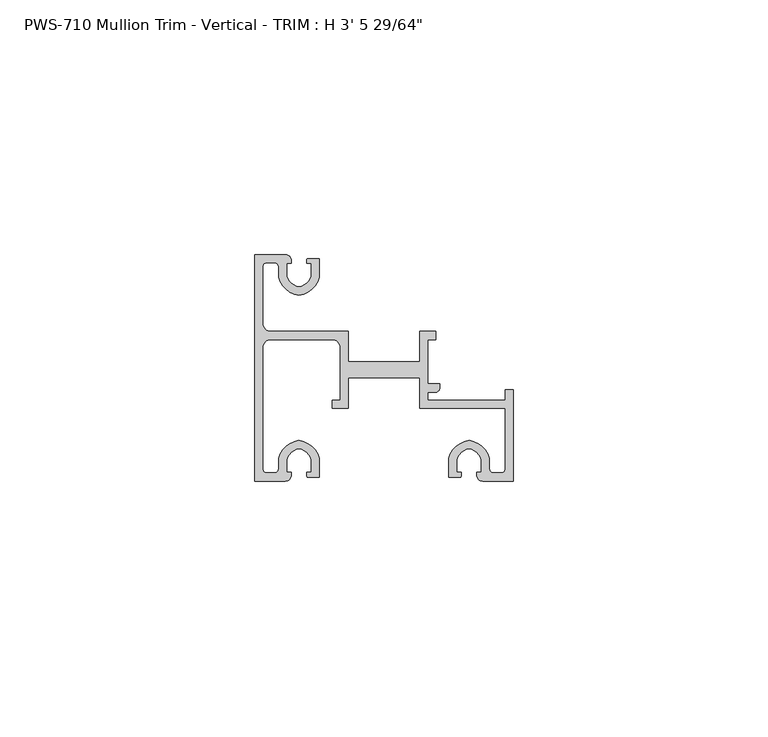
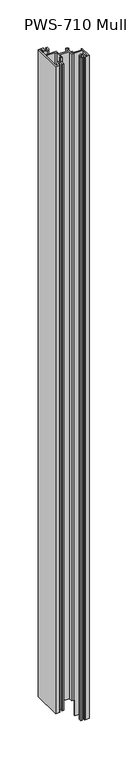
"""IFC4 building model written with IfcOpenShell, lengths in millimetres: proxy geometry."""

from ifc_helpers import new_model, si_unit, frame, origin, place, context, project, spatial, polyline, circle_curve, source, transform, mapped, element, save
from ifc_brep_helpers import plane_surface, cylinder_surface, revolved_surface, advanced_brep


def proxy_907548b9(model_context):
    return source(origin(), model_context, "Body", "AdvancedBrep", [
        advanced_brep(
        [(1.5875, 30.95625, 1052.909375), (1.5875, 42.06748, 1052.909375), (2.38252, 42.8625, 1052.909375), (3.90398, 42.8625, 1052.909375), (4.699, 42.06748, 1052.909375), (4.699, 40.0142401, 1052.909375), (8.6995, 36.4914739, 1052.909375), (12.7, 40.0142401, 1052.909375), (12.7, 43.688, 1052.909375), (10.3627194, 43.688, 1052.909375), (10.2659469, 42.7502912, 1052.909375), (11.1125, 42.7502912, 1052.909375), (11.1125, 40.242076, 1052.909375), (8.6995, 38.1, 1052.909375), (6.2865, 40.242076, 1052.909375), (6.2865, 42.7502912, 1052.909375), (7.1755, 42.7502912, 1052.909375), (7.1755, 43.5416341, 1052.909375), (6.0569064, 44.45, 1052.909375), (0.0, 44.45, 1052.909375), (0.0, 0.0, 1052.909375), (6.0569064, 0.0, 1052.909375), (7.1755, 0.9083659, 1052.909375), (7.1755, 1.6997088, 1052.909375), (6.2865, 1.6997088, 1052.909375), (6.2865, 4.207924, 1052.909375), (8.6995, 6.35, 1052.909375), (11.1125, 4.207924, 1052.909375), (11.1125, 1.6997088, 1052.909375), (10.2659469, 1.6997088, 1052.909375), (10.3627194, 0.762, 1052.909375), (12.7, 0.762, 1052.909375), (12.7, 4.4357599, 1052.909375), (8.6995, 7.9585261, 1052.909375), (4.699, 4.4357599, 1052.909375), (4.699, 2.38252, 1052.909375), (3.90398, 1.5875, 1052.909375), (2.38252, 1.5875, 1052.909375), (1.5875, 2.38252, 1052.909375), (1.5875, 26.19375, 1052.909375), (3.175, 27.78125, 1052.909375), (15.24, 27.78125, 1052.909375), (16.8275, 26.19375, 1052.909375), (16.8275, 15.8792752, 1052.909375), (15.24, 15.8792752, 1052.909375), (15.24, 14.2917752, 1052.909375), (18.415, 14.2917752, 1052.909375), (18.415, 20.2427626, 1052.909375), (32.385, 20.2427626, 1052.909375), (32.385, 14.2917752, 1052.909375), (35.56, 14.2917752, 1052.909375), (49.2125, 14.2917752, 1052.909375), (49.2125, 2.38252, 1052.909375), (48.41748, 1.5875, 1052.909375), (46.89602, 1.5875, 1052.909375), (46.101, 2.38252, 1052.909375), (46.101, 4.4357599, 1052.909375), (42.1005, 7.9585261, 1052.909375), (38.1, 4.4357599, 1052.909375), (38.1, 0.762, 1052.909375), (40.4372806, 0.762, 1052.909375), (40.5340531, 1.6997088, 1052.909375), (39.6875, 1.6997088, 1052.909375), (39.6875, 4.207924, 1052.909375), (42.1005, 6.35, 1052.909375), (44.5135, 4.207924, 1052.909375), (44.5135, 1.6997088, 1052.909375), (43.6245, 1.6997088, 1052.909375), (43.6245, 0.9083659, 1052.909375), (44.7430936, 0.0, 1052.909375), (50.8, 0.0, 1052.909375), (50.8, 17.907, 1052.909375), (49.2125, 17.907, 1052.909375), (49.2125, 15.875, 1052.909375), (34.76625, 15.875, 1052.909375), (33.9725, 15.875, 1052.909375), (33.9725, 17.4625, 1052.909375), (35.56, 17.4625, 1052.909375), (36.35502, 18.25752, 1052.909375), (36.35502, 19.05, 1052.909375), (33.9725, 19.05, 1052.909375), (33.9725, 27.78125, 1052.909375), (35.56, 27.78125, 1052.909375), (35.56, 29.36875, 1052.909375), (32.385, 29.36875, 1052.909375), (32.385, 23.4177626, 1052.909375), (18.415, 23.4177626, 1052.909375), (18.415, 29.36875, 1052.909375), (3.175, 29.36875, 1052.909375), (49.2125, 15.875, 0.0), (49.2125, 17.907, 0.0), (50.8, 17.907, 0.0), (50.8, 0.0, 0.0), (44.7430936, 0.0, 0.0), (43.6245, 0.9083659, 0.0), (43.6245, 1.6997088, 0.0), (44.5135, 1.6997088, 0.0), (44.5135, 4.207924, 0.0), (42.1005, 6.35, 0.0), (39.6875, 4.207924, 0.0), (39.6875, 1.6997088, 0.0), (40.5340531, 1.6997088, 0.0), (40.4372806, 0.762, 0.0), (38.1, 0.762, 0.0), (38.1, 4.4357599, 0.0), (42.1005, 7.9585261, 0.0), (46.101, 4.4357599, 0.0), (46.101, 2.38252, 0.0), (46.89602, 1.5875, 0.0), (48.41748, 1.5875, 0.0), (49.2125, 2.38252, 0.0), (49.2125, 14.2917752, 0.0), (37.1376502, 14.2917752, 0.0), (37.1376502, 15.875, 0.0), (1.5875, 30.95625, 25.4), (1.5875, 42.06748, 25.4), (2.38252, 42.8625, 25.4), (3.90398, 42.8625, 25.4), (4.699, 42.06748, 25.4), (4.699, 40.0142401, 25.4), (8.6995, 36.4914739, 25.4), (12.7, 40.0142401, 25.4), (12.7, 43.688, 25.4), (10.3627194, 43.688, 25.4), (10.2659469, 42.7502912, 25.4), (11.1125, 42.7502912, 25.4), (11.1125, 40.242076, 25.4), (8.6995, 38.1, 25.4), (6.2865, 40.242076, 25.4), (6.2865, 42.7502912, 25.4), (7.1755, 42.7502912, 25.4), (7.1755, 43.5416341, 25.4), (6.0569064, 44.45, 25.4), (0.0, 44.45, 25.4), (0.0, 0.0, 25.4), (6.0569064, 0.0, 25.4), (7.1755, 0.9083659, 25.4), (7.1755, 1.6997088, 25.4), (6.2865, 1.6997088, 25.4), (6.2865, 4.207924, 25.4), (8.6995, 6.35, 25.4), (11.1125, 4.207924, 25.4), (11.1125, 1.6997088, 25.4), (10.2659469, 1.6997088, 25.4), (10.3627194, 0.762, 25.4), (12.7, 0.762, 25.4), (12.7, 4.4357599, 25.4), (8.6995, 7.9585261, 25.4), (4.699, 4.4357599, 25.4), (4.699, 2.38252, 25.4), (3.90398, 1.5875, 25.4), (2.38252, 1.5875, 25.4), (1.5875, 2.38252, 25.4), (1.5875, 26.19375, 25.4), (3.175, 27.78125, 25.4), (15.24, 27.78125, 25.4), (16.8275, 26.19375, 25.4), (16.8275, 15.8792752, 25.4), (15.24, 15.8792752, 25.4), (15.24, 14.2917752, 25.4), (18.415, 14.2917752, 25.4), (18.415, 20.2427626, 25.4), (32.385, 20.2427626, 25.4), (32.385, 14.2917752, 25.4), (35.56, 14.2917752, 25.4), (37.1376502, 14.2917752, 25.4), (37.1376502, 15.875, 25.4), (34.76625, 15.875, 25.4), (33.9725, 15.875, 25.4), (33.9725, 17.4625, 25.4), (35.56, 17.4625, 25.4), (36.35502, 18.25752, 25.4), (36.35502, 19.05, 25.4), (33.9725, 19.05, 25.4), (33.9725, 27.78125, 25.4), (35.56, 27.78125, 25.4), (35.56, 29.36875, 25.4), (32.385, 29.36875, 25.4), (32.385, 23.4177626, 25.4), (18.415, 23.4177626, 25.4), (18.415, 29.36875, 25.4), (3.175, 29.36875, 25.4)],
        [
            (0, 1),
            (1, 2, circle_curve(frame((2.38252, 42.06748, 1052.909375), z_axis=(0.0, 0.0, -1.0), x_axis=(-1.0, 1.8160836696718075e-12, 0.0)), 0.79502)),
            (2, 3),
            (3, 4, circle_curve(frame((3.90398, 42.06748, 1052.909375), z_axis=(0.0, 0.0, -1.0), x_axis=(-1.8302718233411445e-12, 1.0, 0.0)), 0.79502)),
            (4, 5),
            (5, 6, circle_curve(frame((9.3305673, 41.2410159, 1052.909375), z_axis=(0.0, 0.0, 1.0), x_axis=(0.0, -1.0, 0.0)), 4.7912832)),
            (6, 7, circle_curve(frame((8.0684327, 41.2410159, 1052.909375), z_axis=(0.0, 0.0, 1.0), x_axis=(0.0, -1.0, 0.0)), 4.7912832)),
            (7, 8),
            (8, 9),
            (9, 10, circle_curve(frame((11.3244879, 43.1148966, 1052.909375), z_axis=(0.0, 0.0, 1.0), x_axis=(0.0, -1.0, 0.0)), 1.1195742)),
            (10, 11),
            (11, 12),
            (12, 13, circle_curve(frame((8.0684327, 41.2410159, 1052.909375), z_axis=(0.0, 0.0, -1.0), x_axis=(0.0, -1.0, 0.0)), 3.2037832)),
            (13, 14, circle_curve(frame((9.3305673, 41.2410159, 1052.909375), z_axis=(0.0, 0.0, -1.0), x_axis=(0.0, -1.0, 0.0)), 3.2037832)),
            (14, 15),
            (15, 16),
            (16, 17),
            (17, 18, circle_curve(frame((6.0569064, 43.3070794, 1052.909375), z_axis=(0.0, 0.0, 1.0), x_axis=(0.0, -1.0, 0.0)), 1.1429206)),
            (18, 19),
            (19, 20),
            (20, 21),
            (21, 22, circle_curve(frame((6.0569064, 1.1429206, 1052.909375), z_axis=(0.0, 0.0, 1.0), x_axis=(0.0, 1.0, 0.0)), 1.1429206)),
            (22, 23),
            (23, 24),
            (24, 25),
            (25, 26, circle_curve(frame((9.3305673, 3.2089841, 1052.909375), z_axis=(0.0, 0.0, -1.0), x_axis=(0.0, 1.0, 0.0)), 3.2037832)),
            (26, 27, circle_curve(frame((8.0684327, 3.2089841, 1052.909375), z_axis=(0.0, 0.0, -1.0), x_axis=(0.0, 1.0, 0.0)), 3.2037832)),
            (27, 28),
            (28, 29),
            (29, 30, circle_curve(frame((11.3244879, 1.3351034, 1052.909375), z_axis=(0.0, 0.0, 1.0), x_axis=(0.0, 1.0, 0.0)), 1.1195742)),
            (30, 31),
            (31, 32),
            (32, 33, circle_curve(frame((8.0684327, 3.2089841, 1052.909375), z_axis=(0.0, 0.0, 1.0), x_axis=(0.0, 1.0, 0.0)), 4.7912832)),
            (33, 34, circle_curve(frame((9.3305673, 3.2089841, 1052.909375), z_axis=(0.0, 0.0, 1.0), x_axis=(0.0, 1.0, 0.0)), 4.7912832)),
            (34, 35),
            (35, 36, circle_curve(frame((3.90398, 2.38252, 1052.909375), z_axis=(0.0, 0.0, -1.0), x_axis=(1.0, -1.8160836696718075e-12, 0.0)), 0.79502)),
            (36, 37),
            (37, 38, circle_curve(frame((2.38252, 2.38252, 1052.909375), z_axis=(0.0, 0.0, -1.0), x_axis=(1.8160836696718075e-12, -1.0, 0.0)), 0.79502)),
            (38, 39),
            (39, 40, circle_curve(frame((3.175, 26.19375, 1052.909375), z_axis=(0.0, 0.0, -1.0), x_axis=(-1.0, 0.0, 0.0)), 1.5875)),
            (40, 41),
            (41, 42, circle_curve(frame((15.24, 26.19375, 1052.909375), z_axis=(0.0, 0.0, -1.0), x_axis=(0.0, 1.0, 0.0)), 1.5875)),
            (42, 43),
            (43, 44),
            (44, 45),
            (45, 46),
            (46, 47),
            (47, 48),
            (48, 49),
            (49, 50),
            (50, 51),
            (51, 52),
            (52, 53, circle_curve(frame((48.41748, 2.38252, 1052.909375), z_axis=(0.0, 0.0, -1.0), x_axis=(1.0, -1.8160836696718075e-12, 0.0)), 0.79502)),
            (53, 54),
            (54, 55, circle_curve(frame((46.89602, 2.38252, 1052.909375), z_axis=(0.0, 0.0, -1.0), x_axis=(1.8160836696718075e-12, -1.0, 0.0)), 0.79502)),
            (55, 56),
            (56, 57, circle_curve(frame((41.4694327, 3.2089841, 1052.909375), z_axis=(0.0, 0.0, 1.0), x_axis=(0.0, 1.0, 0.0)), 4.7912832)),
            (57, 58, circle_curve(frame((42.7315673, 3.2089841, 1052.909375), z_axis=(0.0, 0.0, 1.0), x_axis=(0.0, 1.0, 0.0)), 4.7912832)),
            (58, 59),
            (59, 60),
            (60, 61, circle_curve(frame((39.4755121, 1.3351034, 1052.909375), z_axis=(0.0, 0.0, 1.0), x_axis=(0.0, 1.0, 0.0)), 1.1195742)),
            (61, 62),
            (62, 63),
            (63, 64, circle_curve(frame((42.7315673, 3.2089841, 1052.909375), z_axis=(0.0, 0.0, -1.0), x_axis=(0.0, 1.0, 0.0)), 3.2037832)),
            (64, 65, circle_curve(frame((41.4694327, 3.2089841, 1052.909375), z_axis=(0.0, 0.0, -1.0), x_axis=(0.0, 1.0, 0.0)), 3.2037832)),
            (65, 66),
            (66, 67),
            (67, 68),
            (68, 69, circle_curve(frame((44.7430936, 1.1429206, 1052.909375), z_axis=(0.0, 0.0, 1.0), x_axis=(0.0, 1.0, 0.0)), 1.1429206)),
            (69, 70),
            (70, 71),
            (71, 72),
            (72, 73),
            (73, 74),
            (74, 75),
            (75, 76),
            (76, 77),
            (77, 78, circle_curve(frame((35.56, 18.25752, 1052.909375), z_axis=(0.0, 0.0, 1.0), x_axis=(-1.8160836696718075e-12, -1.0, 0.0)), 0.79502)),
            (78, 79),
            (79, 80),
            (80, 81),
            (81, 82),
            (82, 83),
            (83, 84),
            (84, 85),
            (85, 86),
            (86, 87),
            (87, 88),
            (88, 0, circle_curve(frame((3.175, 30.95625, 1052.909375), z_axis=(0.0, 0.0, -1.0), x_axis=(0.0, -1.0, 0.0)), 1.5875)),
            (89, 90),
            (90, 91),
            (91, 92),
            (92, 93),
            (93, 94, circle_curve(frame((44.7430936, 1.1429206, 0.0), z_axis=(0.0, 0.0, -1.0), x_axis=(0.0, 1.0, 0.0)), 1.1429206)),
            (94, 95),
            (95, 96),
            (96, 97),
            (97, 98, circle_curve(frame((41.4694327, 3.2089841, 0.0), z_axis=(0.0, 0.0, 1.0), x_axis=(0.0, 1.0, 0.0)), 3.2037832)),
            (98, 99, circle_curve(frame((42.7315673, 3.2089841, 0.0), z_axis=(0.0, 0.0, 1.0), x_axis=(0.0, 1.0, 0.0)), 3.2037832)),
            (99, 100),
            (100, 101),
            (101, 102, circle_curve(frame((39.4755121, 1.3351034, 0.0), z_axis=(0.0, 0.0, -1.0), x_axis=(0.0, 1.0, 0.0)), 1.1195742)),
            (102, 103),
            (103, 104),
            (104, 105, circle_curve(frame((42.7315673, 3.2089841, 0.0), z_axis=(0.0, 0.0, -1.0), x_axis=(0.0, 1.0, 0.0)), 4.7912832)),
            (105, 106, circle_curve(frame((41.4694327, 3.2089841, 0.0), z_axis=(0.0, 0.0, -1.0), x_axis=(0.0, 1.0, 0.0)), 4.7912832)),
            (106, 107),
            (107, 108, circle_curve(frame((46.89602, 2.38252, 0.0), z_axis=(0.0, 0.0, 1.0), x_axis=(1.8160836696718075e-12, -1.0, 0.0)), 0.79502)),
            (108, 109),
            (109, 110, circle_curve(frame((48.41748, 2.38252, 0.0), z_axis=(0.0, 0.0, 1.0), x_axis=(1.0, -1.8160836696718075e-12, 0.0)), 0.79502)),
            (110, 111),
            (111, 112),
            (112, 113),
            (113, 89),
            (0, 114),
            (114, 115),
            (115, 1),
            (115, 116, circle_curve(frame((2.38252, 42.06748, 25.4), z_axis=(0.0, 0.0, -1.0), x_axis=(-1.0, 1.8160836696718075e-12, 0.0)), 0.79502)),
            (116, 2),
            (116, 117),
            (117, 3),
            (117, 118, circle_curve(frame((3.90398, 42.06748, 25.4), z_axis=(0.0, 0.0, -1.0), x_axis=(-1.8302718233411445e-12, 1.0, 0.0)), 0.79502)),
            (118, 4),
            (118, 119),
            (119, 5),
            (119, 120, circle_curve(frame((9.3305673, 41.2410159, 25.4), z_axis=(0.0, 0.0, 1.0), x_axis=(0.0, -1.0, 0.0)), 4.7912832)),
            (120, 6),
            (120, 121, circle_curve(frame((8.0684327, 41.2410159, 25.4), z_axis=(0.0, 0.0, 1.0), x_axis=(0.0, -1.0, 0.0)), 4.7912832)),
            (121, 7),
            (121, 122),
            (122, 8),
            (122, 123),
            (123, 9),
            (123, 124, circle_curve(frame((11.3244879, 43.1148966, 25.4), z_axis=(0.0, 0.0, 1.0), x_axis=(0.0, -1.0, 0.0)), 1.1195742)),
            (124, 10),
            (124, 125),
            (125, 11),
            (125, 126),
            (126, 12),
            (126, 127, circle_curve(frame((8.0684327, 41.2410159, 25.4), z_axis=(0.0, 0.0, -1.0), x_axis=(0.0, -1.0, 0.0)), 3.2037832)),
            (127, 13),
            (127, 128, circle_curve(frame((9.3305673, 41.2410159, 25.4), z_axis=(0.0, 0.0, -1.0), x_axis=(0.0, -1.0, 0.0)), 3.2037832)),
            (128, 14),
            (128, 129),
            (129, 15),
            (129, 130),
            (130, 16),
            (130, 131),
            (131, 17),
            (131, 132, circle_curve(frame((6.0569064, 43.3070794, 25.4), z_axis=(0.0, 0.0, 1.0), x_axis=(0.0, -1.0, 0.0)), 1.1429206)),
            (132, 18),
            (132, 133),
            (133, 19),
            (133, 134),
            (134, 20),
            (134, 135),
            (135, 21),
            (135, 136, circle_curve(frame((6.0569064, 1.1429206, 25.4), z_axis=(0.0, 0.0, 1.0), x_axis=(0.0, 1.0, 0.0)), 1.1429206)),
            (136, 22),
            (136, 137),
            (137, 23),
            (137, 138),
            (138, 24),
            (138, 139),
            (139, 25),
            (139, 140, circle_curve(frame((9.3305673, 3.2089841, 25.4), z_axis=(0.0, 0.0, -1.0), x_axis=(0.0, 1.0, 0.0)), 3.2037832)),
            (140, 26),
            (140, 141, circle_curve(frame((8.0684327, 3.2089841, 25.4), z_axis=(0.0, 0.0, -1.0), x_axis=(0.0, 1.0, 0.0)), 3.2037832)),
            (141, 27),
            (141, 142),
            (142, 28),
            (142, 143),
            (143, 29),
            (143, 144, circle_curve(frame((11.3244879, 1.3351034, 25.4), z_axis=(0.0, 0.0, 1.0), x_axis=(0.0, 1.0, 0.0)), 1.1195742)),
            (144, 30),
            (144, 145),
            (145, 31),
            (145, 146),
            (146, 32),
            (146, 147, circle_curve(frame((8.0684327, 3.2089841, 25.4), z_axis=(0.0, 0.0, 1.0), x_axis=(0.0, 1.0, 0.0)), 4.7912832)),
            (147, 33),
            (147, 148, circle_curve(frame((9.3305673, 3.2089841, 25.4), z_axis=(0.0, 0.0, 1.0), x_axis=(0.0, 1.0, 0.0)), 4.7912832)),
            (148, 34),
            (148, 149),
            (149, 35),
            (149, 150, circle_curve(frame((3.90398, 2.38252, 25.4), z_axis=(0.0, 0.0, -1.0), x_axis=(1.0, -1.8160836696718075e-12, 0.0)), 0.79502)),
            (150, 36),
            (150, 151),
            (151, 37),
            (151, 152, circle_curve(frame((2.38252, 2.38252, 25.4), z_axis=(0.0, 0.0, -1.0), x_axis=(1.8160836696718075e-12, -1.0, 0.0)), 0.79502)),
            (152, 38),
            (152, 153),
            (153, 39),
            (153, 154, circle_curve(frame((3.175, 26.19375, 25.4), z_axis=(0.0, 0.0, -1.0), x_axis=(-1.0, 0.0, 0.0)), 1.5875)),
            (154, 40),
            (154, 155),
            (155, 41),
            (155, 156, circle_curve(frame((15.24, 26.19375, 25.4), z_axis=(0.0, 0.0, -1.0), x_axis=(0.0, 1.0, 0.0)), 1.5875)),
            (156, 42),
            (156, 157),
            (157, 43),
            (157, 158),
            (158, 44),
            (158, 159),
            (159, 45),
            (159, 160),
            (160, 46),
            (160, 161),
            (161, 47),
            (161, 162),
            (162, 48),
            (162, 163),
            (163, 49),
            (163, 164),
            (164, 50),
            (164, 165),
            (165, 112),
            (111, 51),
            (110, 52),
            (109, 53),
            (108, 54),
            (107, 55),
            (106, 56),
            (105, 57),
            (104, 58),
            (103, 59),
            (102, 60),
            (101, 61),
            (100, 62),
            (99, 63),
            (98, 64),
            (97, 65),
            (96, 66),
            (95, 67),
            (94, 68),
            (93, 69),
            (92, 70),
            (91, 71),
            (90, 72),
            (89, 73),
            (113, 166),
            (166, 167),
            (167, 74),
            (167, 168),
            (168, 75),
            (168, 169),
            (169, 76),
            (169, 170),
            (170, 77),
            (170, 171, circle_curve(frame((35.56, 18.25752, 25.4), z_axis=(0.0, 0.0, 1.0), x_axis=(-1.8160836696718075e-12, -1.0, 0.0)), 0.79502)),
            (171, 78),
            (171, 172),
            (172, 79),
            (172, 173),
            (173, 80),
            (173, 174),
            (174, 81),
            (174, 175),
            (175, 82),
            (175, 176),
            (176, 83),
            (176, 177),
            (177, 84),
            (177, 178),
            (178, 85),
            (178, 179),
            (179, 86),
            (179, 180),
            (180, 87),
            (180, 181),
            (181, 88),
            (181, 114, circle_curve(frame((3.175, 30.95625, 25.4), z_axis=(0.0, 0.0, -1.0), x_axis=(0.0, -1.0, 0.0)), 1.5875)),
            (165, 166),
        ],
        [
            plane_surface(frame((1.5875, 30.95625, 1052.909375), z_axis=(0.0, 0.0, 1.0), x_axis=(0.0, 1.0, 0.0))),
            plane_surface(frame((1.5875, 30.95625, 0.0), z_axis=(0.0, 0.0, -1.0), x_axis=(0.0, -1.0, 0.0))),
            plane_surface(frame((1.5875, 30.95625, 1052.909375), z_axis=(1.0, 0.0, 0.0), x_axis=(0.0, 0.0, -1.0))),
            revolved_surface(polyline([(1.5875, 42.067480000001446, 25.4), (1.5875, 42.067480000001446, 1052.909375)]), (2.38252, 42.06748, 0.0), (0.0, 0.0, -1.0)),
            plane_surface(frame((2.38252, 42.8625, 1052.909375), z_axis=(0.0, -1.0, 0.0), x_axis=(0.0, 0.0, -1.0))),
            revolved_surface(polyline([(3.9039799999985445, 42.862500000000004, 25.4), (3.9039799999985445, 42.862500000000004, 1052.909375)]), (3.90398, 42.06748, 0.0), (0.0, 0.0, -1.0)),
            plane_surface(frame((4.699, 42.06748, 1052.909375), z_axis=(-1.0, 0.0, 0.0), x_axis=(0.0, 0.0, -1.0))),
            cylinder_surface(frame((9.3305673, 41.2410159, 0.0), z_axis=(0.0, 0.0, 1.0), x_axis=(0.0, -1.0, 0.0)), 4.7912832),
            cylinder_surface(frame((8.0684327, 41.2410159, 0.0), z_axis=(0.0, 0.0, 1.0), x_axis=(0.0, -1.0, 0.0)), 4.7912832),
            plane_surface(frame((12.7, 40.0142401, 1052.909375), z_axis=(1.0, 0.0, 0.0), x_axis=(0.0, 0.0, -1.0))),
            plane_surface(frame((12.7, 43.688, 1052.909375), z_axis=(0.0, 1.0, 0.0), x_axis=(0.0, 0.0, -1.0))),
            cylinder_surface(frame((11.3244879, 43.1148966, 0.0), z_axis=(0.0, 0.0, 1.0), x_axis=(0.0, -1.0, 0.0)), 1.1195742),
            plane_surface(frame((10.2659469, 42.7502912, 1052.909375), z_axis=(0.0, -1.0, 0.0), x_axis=(0.0, 0.0, -1.0))),
            plane_surface(frame((11.1125, 42.7502912, 1052.909375), z_axis=(-1.0, 0.0, 0.0), x_axis=(0.0, 0.0, -1.0))),
            revolved_surface(polyline([(8.0684327, 38.037232700000004, 25.4), (8.0684327, 38.037232700000004, 1052.909375)]), (8.0684327, 41.2410159, 0.0), (0.0, 0.0, -1.0)),
            revolved_surface(polyline([(9.3305673, 38.037232700000004, 25.4), (9.3305673, 38.037232700000004, 1052.909375)]), (9.3305673, 41.2410159, 0.0), (0.0, 0.0, -1.0)),
            plane_surface(frame((6.2865, 40.242076, 1052.909375), z_axis=(1.0, 0.0, 0.0), x_axis=(0.0, 0.0, -1.0))),
            plane_surface(frame((6.2865, 42.7502912, 1052.909375), z_axis=(0.0, -1.0, 0.0), x_axis=(0.0, 0.0, -1.0))),
            plane_surface(frame((7.1755, 42.7502912, 1052.909375), z_axis=(1.0, 0.0, 0.0), x_axis=(0.0, 0.0, -1.0))),
            cylinder_surface(frame((6.0569064, 43.3070794, 0.0), z_axis=(0.0, 0.0, 1.0), x_axis=(0.0, -1.0, 0.0)), 1.1429206),
            plane_surface(frame((6.0569064, 44.45, 1052.909375), z_axis=(0.0, 1.0, 0.0), x_axis=(0.0, 0.0, -1.0))),
            plane_surface(frame((0.0, 44.45, 1052.909375), z_axis=(-1.0, 0.0, 0.0), x_axis=(0.0, 0.0, -1.0))),
            plane_surface(frame((0.0, 0.0, 1052.909375), z_axis=(0.0, -1.0, 0.0), x_axis=(0.0, 0.0, -1.0))),
            cylinder_surface(frame((6.0569064, 1.1429206, 0.0), z_axis=(0.0, 0.0, 1.0), x_axis=(0.0, 1.0, 0.0)), 1.1429206),
            plane_surface(frame((7.1755, 0.9083659, 1052.909375), z_axis=(1.0, 0.0, 0.0), x_axis=(0.0, 0.0, -1.0))),
            plane_surface(frame((7.1755, 1.6997088, 1052.909375), z_axis=(0.0, 1.0, 0.0), x_axis=(0.0, 0.0, -1.0))),
            plane_surface(frame((6.2865, 1.6997088, 1052.909375), z_axis=(1.0, 0.0, 0.0), x_axis=(0.0, 0.0, -1.0))),
            revolved_surface(polyline([(9.3305673, 6.4127673000000005, 25.4), (9.3305673, 6.4127673000000005, 1052.909375)]), (9.3305673, 3.2089841, 0.0), (0.0, 0.0, -1.0)),
            revolved_surface(polyline([(8.0684327, 6.4127673000000005, 25.4), (8.0684327, 6.4127673000000005, 1052.909375)]), (8.0684327, 3.2089841, 0.0), (0.0, 0.0, -1.0)),
            plane_surface(frame((11.1125, 4.207924, 1052.909375), z_axis=(-1.0, 0.0, 0.0), x_axis=(0.0, 0.0, -1.0))),
            plane_surface(frame((11.1125, 1.6997088, 1052.909375), z_axis=(0.0, 1.0, 0.0), x_axis=(0.0, 0.0, -1.0))),
            cylinder_surface(frame((11.3244879, 1.3351034, 0.0), z_axis=(0.0, 0.0, 1.0), x_axis=(0.0, 1.0, 0.0)), 1.1195742),
            plane_surface(frame((10.3627194, 0.762, 1052.909375), z_axis=(0.0, -1.0, 0.0), x_axis=(0.0, 0.0, -1.0))),
            plane_surface(frame((12.7, 0.762, 1052.909375), z_axis=(1.0, 0.0, 0.0), x_axis=(0.0, 0.0, -1.0))),
            cylinder_surface(frame((8.0684327, 3.2089841, 0.0), z_axis=(0.0, 0.0, 1.0), x_axis=(0.0, 1.0, 0.0)), 4.7912832),
            cylinder_surface(frame((9.3305673, 3.2089841, 0.0), z_axis=(0.0, 0.0, 1.0), x_axis=(0.0, 1.0, 0.0)), 4.7912832),
            plane_surface(frame((4.699, 4.4357599, 1052.909375), z_axis=(-1.0, 0.0, 0.0), x_axis=(0.0, 0.0, -1.0))),
            revolved_surface(polyline([(4.699, 2.3825199999985562, 25.4), (4.699, 2.3825199999985562, 1052.909375)]), (3.90398, 2.38252, 0.0), (0.0, 0.0, -1.0)),
            plane_surface(frame((3.90398, 1.5875, 1052.909375), z_axis=(0.0, 1.0, 0.0), x_axis=(0.0, 0.0, -1.0))),
            revolved_surface(polyline([(2.3825200000014437, 1.5875, 25.4), (2.3825200000014437, 1.5875, 1052.909375)]), (2.38252, 2.38252, 0.0), (0.0, 0.0, -1.0)),
            plane_surface(frame((1.5875, 2.38252, 1052.909375), z_axis=(1.0, 0.0, 0.0), x_axis=(0.0, 0.0, -1.0))),
            revolved_surface(polyline([(1.5875, 26.19375, 25.4), (1.5875, 26.19375, 1052.909375)]), (3.175, 26.19375, 0.0), (0.0, 0.0, -1.0)),
            plane_surface(frame((3.175, 27.78125, 1052.909375), z_axis=(0.0, -1.0, 0.0), x_axis=(0.0, 0.0, -1.0))),
            revolved_surface(polyline([(15.24, 27.78125, 25.4), (15.24, 27.78125, 1052.909375)]), (15.24, 26.19375, 0.0), (0.0, 0.0, -1.0)),
            plane_surface(frame((16.8275, 26.19375, 1052.909375), z_axis=(-1.0, 0.0, 0.0), x_axis=(0.0, 0.0, -1.0))),
            plane_surface(frame((16.8275, 15.8792752, 1052.909375), z_axis=(0.0, 1.0, 0.0), x_axis=(0.0, 0.0, -1.0))),
            plane_surface(frame((15.24, 15.8792752, 1052.909375), z_axis=(-1.0, 0.0, 0.0), x_axis=(0.0, 0.0, -1.0))),
            plane_surface(frame((15.24, 14.2917752, 1052.909375), z_axis=(0.0, -1.0, 0.0), x_axis=(0.0, 0.0, -1.0))),
            plane_surface(frame((18.415, 14.2917752, 1052.909375), z_axis=(1.0, 0.0, 0.0), x_axis=(0.0, 0.0, -1.0))),
            plane_surface(frame((18.415, 20.2427626, 1052.909375), z_axis=(0.0, -1.0, 0.0), x_axis=(0.0, 0.0, -1.0))),
            plane_surface(frame((32.385, 20.2427626, 1052.909375), z_axis=(-1.0, 0.0, 0.0), x_axis=(0.0, 0.0, -1.0))),
            plane_surface(frame((32.385, 14.2917752, 1052.909375), z_axis=(0.0, -1.0, 0.0), x_axis=(0.0, 0.0, -1.0))),
            plane_surface(frame((35.56, 14.2917752, 1052.909375), z_axis=(0.0, -1.0, 0.0), x_axis=(0.0, 0.0, -1.0))),
            plane_surface(frame((49.2125, 14.2917752, 1052.909375), z_axis=(-1.0, 0.0, 0.0), x_axis=(0.0, 0.0, -1.0))),
            revolved_surface(polyline([(49.2125, 2.3825199999985562, 0.0), (49.2125, 2.3825199999985562, 1052.909375)]), (48.41748, 2.38252, 0.0), (0.0, 0.0, -1.0)),
            plane_surface(frame((48.41748, 1.5875, 1052.909375), z_axis=(0.0, 1.0, 0.0), x_axis=(0.0, 0.0, -1.0))),
            revolved_surface(polyline([(46.89602000000144, 1.5875, 0.0), (46.89602000000144, 1.5875, 1052.909375)]), (46.89602, 2.38252, 0.0), (0.0, 0.0, -1.0)),
            plane_surface(frame((46.101, 2.38252, 1052.909375), z_axis=(1.0, 0.0, 0.0), x_axis=(0.0, 0.0, -1.0))),
            cylinder_surface(frame((41.4694327, 3.2089841, 0.0), z_axis=(0.0, 0.0, 1.0), x_axis=(0.0, 1.0, 0.0)), 4.7912832),
            cylinder_surface(frame((42.7315673, 3.2089841, 0.0), z_axis=(0.0, 0.0, 1.0), x_axis=(0.0, 1.0, 0.0)), 4.7912832),
            plane_surface(frame((38.1, 4.4357599, 1052.909375), z_axis=(-1.0, 0.0, 0.0), x_axis=(0.0, 0.0, -1.0))),
            plane_surface(frame((38.1, 0.762, 1052.909375), z_axis=(0.0, -1.0, 0.0), x_axis=(0.0, 0.0, -1.0))),
            cylinder_surface(frame((39.4755121, 1.3351034, 0.0), z_axis=(0.0, 0.0, 1.0), x_axis=(0.0, 1.0, 0.0)), 1.1195742),
            plane_surface(frame((40.5340531, 1.6997088, 1052.909375), z_axis=(0.0, 1.0, 0.0), x_axis=(0.0, 0.0, -1.0))),
            plane_surface(frame((39.6875, 1.6997088, 1052.909375), z_axis=(1.0, 0.0, 0.0), x_axis=(0.0, 0.0, -1.0))),
            revolved_surface(polyline([(42.7315673, 6.4127673000000005, 0.0), (42.7315673, 6.4127673000000005, 1052.909375)]), (42.7315673, 3.2089841, 0.0), (0.0, 0.0, -1.0)),
            revolved_surface(polyline([(41.4694327, 6.4127673000000005, 0.0), (41.4694327, 6.4127673000000005, 1052.909375)]), (41.4694327, 3.2089841, 0.0), (0.0, 0.0, -1.0)),
            plane_surface(frame((44.5135, 4.207924, 1052.909375), z_axis=(-1.0, 0.0, 0.0), x_axis=(0.0, 0.0, -1.0))),
            plane_surface(frame((44.5135, 1.6997088, 1052.909375), z_axis=(0.0, 1.0, 0.0), x_axis=(0.0, 0.0, -1.0))),
            plane_surface(frame((43.6245, 1.6997088, 1052.909375), z_axis=(-1.0, 0.0, 0.0), x_axis=(0.0, 0.0, -1.0))),
            cylinder_surface(frame((44.7430936, 1.1429206, 0.0), z_axis=(0.0, 0.0, 1.0), x_axis=(0.0, 1.0, 0.0)), 1.1429206),
            plane_surface(frame((44.7430936, 0.0, 1052.909375), z_axis=(0.0, -1.0, 0.0), x_axis=(0.0, 0.0, -1.0))),
            plane_surface(frame((50.8, 0.0, 1052.909375), z_axis=(1.0, 0.0, 0.0), x_axis=(0.0, 0.0, -1.0))),
            plane_surface(frame((50.8, 17.907, 1052.909375), z_axis=(0.0, 1.0, 0.0), x_axis=(0.0, 0.0, -1.0))),
            plane_surface(frame((49.2125, 17.907, 1052.909375), z_axis=(-1.0, 0.0, 0.0), x_axis=(0.0, 0.0, -1.0))),
            plane_surface(frame((49.2125, 15.875, 1052.909375), z_axis=(0.0, 1.0, 0.0), x_axis=(0.0, 0.0, -1.0))),
            plane_surface(frame((34.76625, 15.875, 1052.909375), z_axis=(0.0, 1.0, 0.0), x_axis=(0.0, 0.0, -1.0))),
            plane_surface(frame((33.9725, 15.875, 1052.909375), z_axis=(1.0, 0.0, 0.0), x_axis=(0.0, 0.0, -1.0))),
            plane_surface(frame((33.9725, 17.4625, 1052.909375), z_axis=(0.0, -1.0, 0.0), x_axis=(0.0, 0.0, -1.0))),
            cylinder_surface(frame((35.56, 18.25752, 0.0), z_axis=(0.0, 0.0, 1.0), x_axis=(-1.8160836696718075e-12, -1.0, 0.0)), 0.79502),
            plane_surface(frame((36.35502, 18.25752, 1052.909375), z_axis=(1.0, 0.0, 0.0), x_axis=(0.0, 0.0, -1.0))),
            plane_surface(frame((36.35502, 19.05, 1052.909375), z_axis=(0.0, 1.0, 0.0), x_axis=(0.0, 0.0, -1.0))),
            plane_surface(frame((33.9725, 19.05, 1052.909375), z_axis=(1.0, 0.0, 0.0), x_axis=(0.0, 0.0, -1.0))),
            plane_surface(frame((33.9725, 27.78125, 1052.909375), z_axis=(0.0, -1.0, 0.0), x_axis=(0.0, 0.0, -1.0))),
            plane_surface(frame((35.56, 27.78125, 1052.909375), z_axis=(1.0, 0.0, 0.0), x_axis=(0.0, 0.0, -1.0))),
            plane_surface(frame((35.56, 29.36875, 1052.909375), z_axis=(0.0, 1.0, 0.0), x_axis=(0.0, 0.0, -1.0))),
            plane_surface(frame((32.385, 29.36875, 1052.909375), z_axis=(-1.0, 0.0, 0.0), x_axis=(0.0, 0.0, -1.0))),
            plane_surface(frame((32.385, 23.4177626, 1052.909375), z_axis=(0.0, 1.0, 0.0), x_axis=(0.0, 0.0, -1.0))),
            plane_surface(frame((18.415, 23.4177626, 1052.909375), z_axis=(1.0, 0.0, 0.0), x_axis=(0.0, 0.0, -1.0))),
            plane_surface(frame((18.415, 29.36875, 1052.909375), z_axis=(0.0, 1.0, 0.0), x_axis=(0.0, 0.0, -1.0))),
            revolved_surface(polyline([(3.175, 29.368750000000002, 25.4), (3.175, 29.368750000000002, 1052.909375)]), (3.175, 30.95625, 0.0), (0.0, 0.0, -1.0)),
            plane_surface(frame((37.1376502, 0.0, 25.4), z_axis=(-1.0, 0.0, 0.0), x_axis=(0.0, -1.0, 0.0))),
            plane_surface(frame((37.1376502, 44.45, 25.4), z_axis=(0.0, 0.0, -1.0), x_axis=(-1.0, 0.0, 0.0))),
        ],
        [
            (0, [[1, 2, 3, 4, 5, 6, 7, 8, 9, 10, 11, 12, 13, 14, 15, 16, 17, 18, 19, 20, 21, 22, 23, 24, 25, 26, 27, 28, 29, 30, 31, 32, 33, 34, 35, 36, 37, 38, 39, 40, 41, 42, 43, 44, 45, 46, 47, 48, 49, 50, 51, 52, 53, 54, 55, 56, 57, 58, 59, 60, 61, 62, 63, 64, 65, 66, 67, 68, 69, 70, 71, 72, 73, 74, 75, 76, 77, 78, 79, 80, 81, 82, 83, 84, 85, 86, 87, 88, 89]]),
            (1, [[90, 91, 92, 93, 94, 95, 96, 97, 98, 99, 100, 101, 102, 103, 104, 105, 106, 107, 108, 109, 110, 111, 112, 113, 114]]),
            (2, [[-1, 115, 116, 117]]),
            (3, [[-2, -117, 118, 119]]),
            (4, [[-3, -119, 120, 121]]),
            (5, [[-4, -121, 122, 123]]),
            (6, [[-5, -123, 124, 125]]),
            (7, [[-6, -125, 126, 127]]),
            (8, [[-7, -127, 128, 129]]),
            (9, [[-8, -129, 130, 131]]),
            (10, [[-9, -131, 132, 133]]),
            (11, [[-10, -133, 134, 135]]),
            (12, [[-11, -135, 136, 137]]),
            (13, [[-12, -137, 138, 139]]),
            (14, [[-13, -139, 140, 141]]),
            (15, [[-14, -141, 142, 143]]),
            (16, [[-15, -143, 144, 145]]),
            (17, [[-16, -145, 146, 147]]),
            (18, [[-17, -147, 148, 149]]),
            (19, [[-18, -149, 150, 151]]),
            (20, [[-19, -151, 152, 153]]),
            (21, [[-20, -153, 154, 155]]),
            (22, [[-21, -155, 156, 157]]),
            (23, [[-22, -157, 158, 159]]),
            (24, [[-23, -159, 160, 161]]),
            (25, [[-24, -161, 162, 163]]),
            (26, [[-25, -163, 164, 165]]),
            (27, [[-26, -165, 166, 167]]),
            (28, [[-27, -167, 168, 169]]),
            (29, [[-28, -169, 170, 171]]),
            (30, [[-29, -171, 172, 173]]),
            (31, [[-30, -173, 174, 175]]),
            (32, [[-31, -175, 176, 177]]),
            (33, [[-32, -177, 178, 179]]),
            (34, [[-33, -179, 180, 181]]),
            (35, [[-34, -181, 182, 183]]),
            (36, [[-35, -183, 184, 185]]),
            (37, [[-36, -185, 186, 187]]),
            (38, [[-37, -187, 188, 189]]),
            (39, [[-38, -189, 190, 191]]),
            (40, [[-39, -191, 192, 193]]),
            (41, [[-40, -193, 194, 195]]),
            (42, [[-41, -195, 196, 197]]),
            (43, [[-42, -197, 198, 199]]),
            (44, [[-43, -199, 200, 201]]),
            (45, [[-44, -201, 202, 203]]),
            (46, [[-45, -203, 204, 205]]),
            (47, [[-46, -205, 206, 207]]),
            (48, [[-47, -207, 208, 209]]),
            (49, [[-48, -209, 210, 211]]),
            (50, [[-49, -211, 212, 213]]),
            (51, [[-50, -213, 214, 215]]),
            (52, [[-51, -215, 216, 217, -112, 218]]),
            (53, [[-52, -218, -111, 219]]),
            (54, [[-53, -219, -110, 220]]),
            (55, [[-54, -220, -109, 221]]),
            (56, [[-55, -221, -108, 222]]),
            (57, [[-56, -222, -107, 223]]),
            (58, [[-57, -223, -106, 224]]),
            (59, [[-58, -224, -105, 225]]),
            (60, [[-59, -225, -104, 226]]),
            (61, [[-60, -226, -103, 227]]),
            (62, [[-61, -227, -102, 228]]),
            (63, [[-62, -228, -101, 229]]),
            (64, [[-63, -229, -100, 230]]),
            (65, [[-64, -230, -99, 231]]),
            (66, [[-65, -231, -98, 232]]),
            (67, [[-66, -232, -97, 233]]),
            (68, [[-67, -233, -96, 234]]),
            (69, [[-68, -234, -95, 235]]),
            (70, [[-69, -235, -94, 236]]),
            (71, [[-70, -236, -93, 237]]),
            (72, [[-71, -237, -92, 238]]),
            (73, [[-72, -238, -91, 239]]),
            (74, [[-73, -239, -90, 240]]),
            (75, [[-74, -240, -114, 241, 242, 243]]),
            (76, [[-75, -243, 244, 245]]),
            (77, [[-76, -245, 246, 247]]),
            (78, [[-77, -247, 248, 249]]),
            (79, [[-78, -249, 250, 251]]),
            (80, [[-79, -251, 252, 253]]),
            (81, [[-80, -253, 254, 255]]),
            (82, [[-81, -255, 256, 257]]),
            (83, [[-82, -257, 258, 259]]),
            (84, [[-83, -259, 260, 261]]),
            (85, [[-84, -261, 262, 263]]),
            (86, [[-85, -263, 264, 265]]),
            (87, [[-86, -265, 266, 267]]),
            (88, [[-87, -267, 268, 269]]),
            (89, [[-88, -269, 270, 271]]),
            (90, [[-89, -271, 272, -115]]),
            (91, [[273, -241, -113, -217]]),
            (92, [[-273, -216, -214, -212, -210, -208, -206, -204, -202, -200, -198, -196, -194, -192, -190, -188, -186, -184, -182, -180, -178, -176, -174, -172, -170, -168, -166, -164, -162, -160, -158, -156, -154, -152, -150, -148, -146, -144, -142, -140, -138, -136, -134, -132, -130, -128, -126, -124, -122, -120, -118, -116, -272, -270, -268, -266, -264, -262, -260, -258, -256, -254, -252, -250, -248, -246, -244, -242]]),
        ],
    ),
    ])


if __name__ == "__main__":
    model = new_model("IFC4")
    model_context = context("Model", 3, world=origin())
    ifc_project = project(units=[si_unit("LENGTHUNIT", "METRE", prefix="MILLI")], contexts=[model_context])
    site = spatial("IfcSite", under=ifc_project)
    building = spatial("IfcBuilding", under=site)
    placement = place(None, origin())
    proxy_shape = proxy_907548b9(model_context)
    element("IfcBuildingElementProxy", 1, Name="PWS-710 Mullion Trim - Vertical - TRIM : H 3' 5 29/64\"", ObjectType="PWS-710 Mullion Trim - Vertical - TRIM : H 3' 5 29/64\"", at=placement, inside=building, context=model_context, shape_type="MappedRepresentation", body=[
        mapped(proxy_shape, transform((0.0, 0.0, 0.0), x_axis=(1.0, 0.0, 0.0), y_axis=(0.0, 1.0, 0.0), z_axis=(0.0, 0.0, 1.0))),
    ])
    save(model, "model.ifc")
